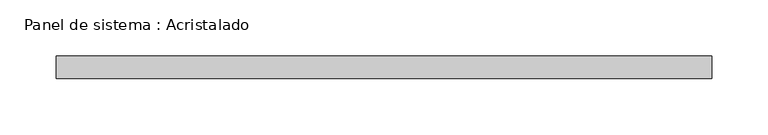
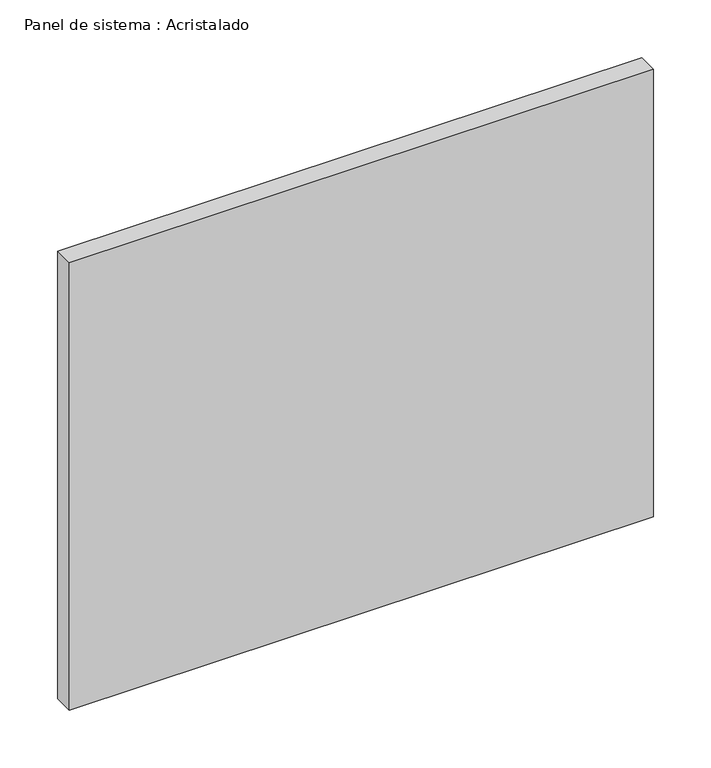
"""IFC4 building model written with IfcOpenShell, lengths in millimetres: plate geometry, Panel de sistema : Acristalado."""

from ifc_helpers import new_model, si_unit, origin, origin_with_axes, place, context, project, spatial, polyline, outline, extrude, source, transform, mapped, element, save


def panel_de_sistema_acristalado_0d6d7532(model_context):
    return source(origin(), model_context, "Body", "SweptSolid", [
        extrude(outline(polyline([(291.5, -10.0), (-291.5, -10.0), (-291.5, 10.0), (291.5, 10.0), (291.5, -10.0)])), origin_with_axes(), (0.0, 0.0, 1.0), 472.0),
    ])


if __name__ == "__main__":
    model = new_model("IFC4")
    model_context = context("Model", 3, world=origin())
    ifc_project = project(units=[si_unit("LENGTHUNIT", "METRE", prefix="MILLI")], contexts=[model_context])
    site = spatial("IfcSite", under=ifc_project)
    building = spatial("IfcBuilding", under=site)
    placement = place(None, origin())
    panel_de_sistema_acristalado_shape = panel_de_sistema_acristalado_0d6d7532(model_context)
    element("IfcPlate", 1, ObjectType="Panel de sistema : Acristalado", at=placement, inside=building, context=model_context, shape_type="MappedRepresentation", body=[
        mapped(panel_de_sistema_acristalado_shape, transform((0.0, 0.0, 0.0), x_axis=(1.0, 0.0, 0.0), y_axis=(0.0, 1.0, 0.0), z_axis=(0.0, 0.0, 1.0))),
    ])
    save(model, "model.ifc")
